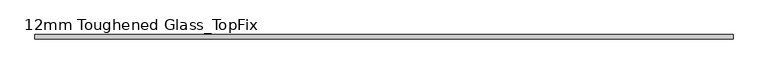
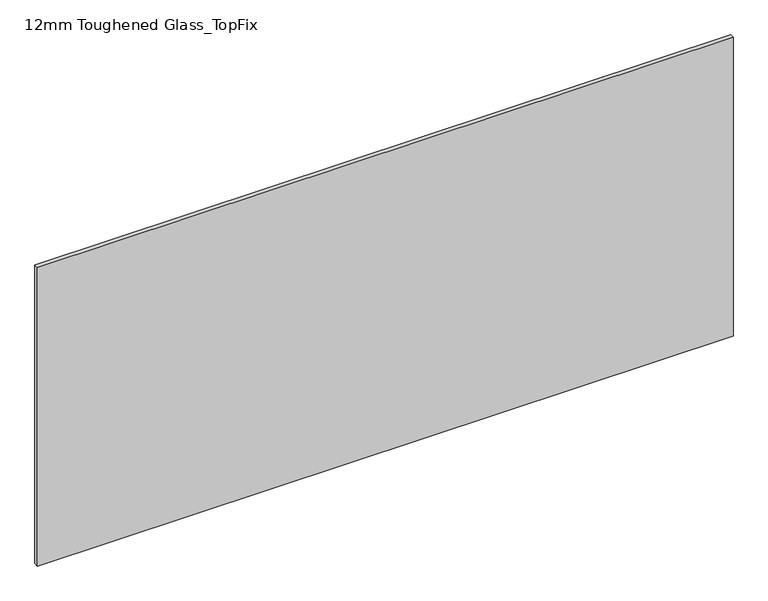
"""IFC4 building model written with IfcOpenShell, lengths in millimetres: plate geometry, 12mm Toughened Glass_TopFix."""

from ifc_helpers import new_model, si_unit, origin, origin_with_axes, place, context, project, spatial, polyline, outline, extrude, source, transform, mapped, element, save


def plate_12mm_toughened_glass_topfix_f69c67ff(model_context):
    return source(origin(), model_context, "Body", "SweptSolid", [
        extrude(outline(polyline([(945.0000001, 6.0), (945.0000001, -6.0), (-945.0000001, -6.0), (-945.0000001, 6.0), (945.0000001, 6.0)])), origin_with_axes(), (0.0, 0.0, 1.0), 858.0),
    ])


if __name__ == "__main__":
    model = new_model("IFC4")
    model_context = context("Model", 3, world=origin())
    ifc_project = project(units=[si_unit("LENGTHUNIT", "METRE", prefix="MILLI")], contexts=[model_context])
    site = spatial("IfcSite", under=ifc_project)
    building = spatial("IfcBuilding", under=site)
    placement = place(None, origin())
    plate_12mm_toughened_glass_topfix_shape = plate_12mm_toughened_glass_topfix_f69c67ff(model_context)
    element("IfcPlate", 1, ObjectType="12mm Toughened Glass_TopFix", at=placement, inside=building, context=model_context, shape_type="MappedRepresentation", body=[
        mapped(plate_12mm_toughened_glass_topfix_shape, transform((0.0, 0.0, 0.0), x_axis=(1.0, 0.0, 0.0), y_axis=(0.0, 1.0, 0.0), z_axis=(0.0, 0.0, 1.0))),
    ])
    save(model, "model.ifc")
